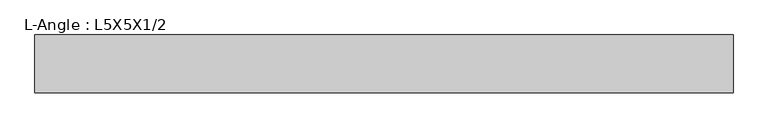
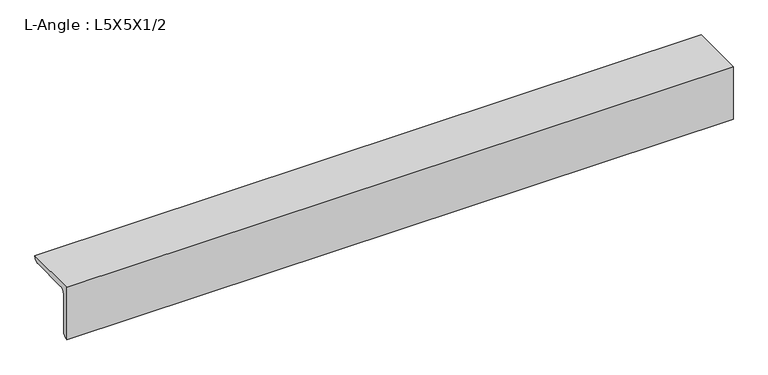
"""IFC4 building model written with IfcOpenShell, lengths in millimetres: beam geometry, L-Angle : L5X5X1/2."""

from ifc_helpers import new_model, si_unit, point, frame, frame_2d, origin, place, context, project, spatial, polyline, circle_curve, trimmed, segment, composite_curve, outline, extrude, source, transform, mapped, element, save


def l_angle_l5x5x1_2_e63d7779(model_context):
    return source(origin(), model_context, "Body", "SweptSolid", [
        extrude(outline(composite_curve([segment(polyline([(-36.068, 36.068), (90.932, 36.068)]), True, "CONTINUOUS"), segment(trimmed(circle_curve(frame_2d((78.232, 36.068)), 12.7), [point((90.932, 36.068))], [point((78.232, 23.368))], False, "CARTESIAN"), True, "CONTINUOUS"), segment(polyline([(78.232, 23.368), (-10.668, 23.368)]), True, "CONTINUOUS"), segment(trimmed(circle_curve(frame_2d((-10.668, 10.668)), 12.7), [point((-10.668, 23.368))], [point((-23.368, 10.668))], True, "CARTESIAN"), True, "CONTINUOUS"), segment(polyline([(-23.368, 10.668), (-23.368, -78.232)]), True, "CONTINUOUS"), segment(trimmed(circle_curve(frame_2d((-36.068, -78.232)), 12.7), [point((-23.368, -78.232))], [point((-36.068, -90.932))], False, "CARTESIAN"), True, "CONTINUOUS"), segment(polyline([(-36.068, -90.932), (-36.068, 36.068)]), True, "CONTINUOUS")], self_intersect=False)), frame((-732.0384426, 0.0, 0.0), z_axis=(1.0, 0.0, 0.0), x_axis=(0.0, 1.0, 0.0)), (0.0, 0.0, 1.0), 1528.2449468),
    ])


if __name__ == "__main__":
    model = new_model("IFC4")
    model_context = context("Model", 3, world=origin())
    ifc_project = project(units=[si_unit("LENGTHUNIT", "METRE", prefix="MILLI")], contexts=[model_context])
    site = spatial("IfcSite", under=ifc_project)
    building = spatial("IfcBuilding", under=site)
    placement = place(None, origin())
    l_angle_l5x5x1_2_shape = l_angle_l5x5x1_2_e63d7779(model_context)
    element("IfcBeam", 1, ObjectType="L-Angle : L5X5X1/2", at=placement, inside=building, context=model_context, shape_type="MappedRepresentation", body=[
        mapped(l_angle_l5x5x1_2_shape, transform((0.0, 0.0, 0.0), x_axis=(1.0, 0.0, 0.0), y_axis=(0.0, 1.0, 0.0), z_axis=(0.0, 0.0, 1.0))),
    ])
    save(model, "model.ifc")
